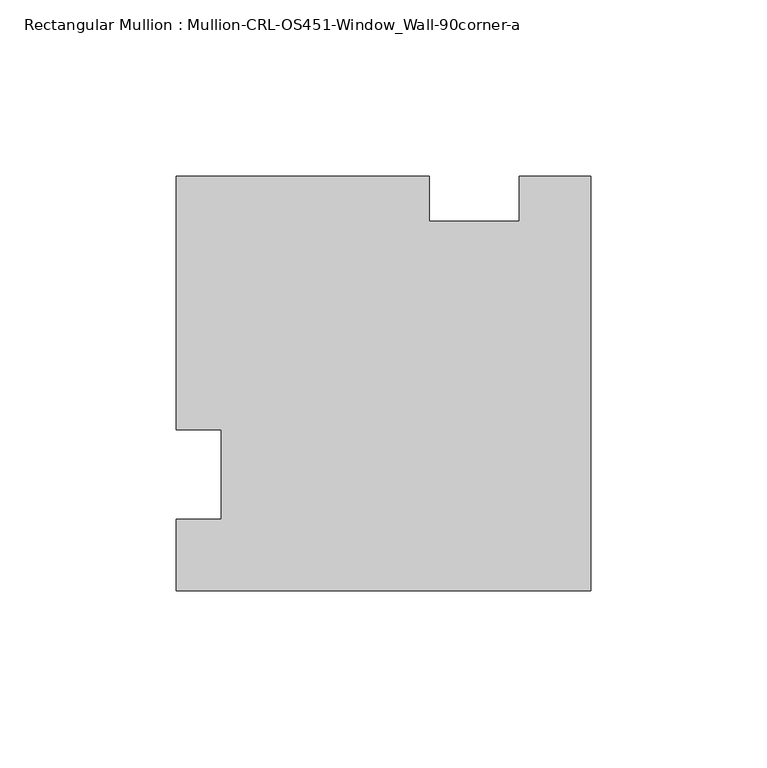
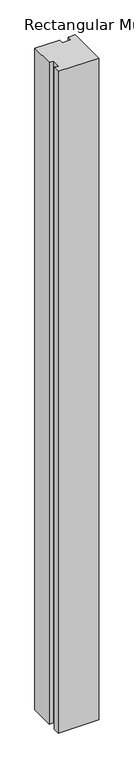
"""IFC4 building model written with IfcOpenShell, lengths in millimetres: member geometry, Rectangular Mullion : Mullion-CRL-OS451-Window_Wall-90corner-a."""

from ifc_helpers import new_model, si_unit, frame, origin, place, context, project, spatial, polyline, outline, extrude, source, transform, mapped, element, save


def rectangular_mullion_mullion_crl_os451_window_wall_90corner_a_53f5e9fe(model_context):
    return source(origin(), model_context, "Body", "SweptSolid", [
        extrude(outline(polyline([(-117.6780898, 12.6999522), (-117.6780898, 84.6587463), (-45.7656636, 84.6587463), (-45.7656636, 71.8666864), (-20.3235031, 71.8666864), (-20.3235031, 84.6587463), (0.0, 84.6587463), (0.0, -33.0327125), (-117.6780898, -33.0327125), (-117.6780898, -12.7090868), (-104.8670101, -12.7090868), (-104.8670101, 12.6999522), (-117.6780898, 12.6999522)])), frame((0.0, 0.0, -2037.0775442), z_axis=(0.0, 0.0, 1.0), x_axis=(1.0, 0.0, 0.0)), (0.0, 0.0, 1.0), 2037.0775442),
    ])


if __name__ == "__main__":
    model = new_model("IFC4")
    model_context = context("Model", 3, world=origin())
    ifc_project = project(units=[si_unit("LENGTHUNIT", "METRE", prefix="MILLI")], contexts=[model_context])
    site = spatial("IfcSite", under=ifc_project)
    building = spatial("IfcBuilding", under=site)
    placement = place(None, origin())
    rectangular_mullion_mullion_crl_os451_window_wall_90corner_a_shape = rectangular_mullion_mullion_crl_os451_window_wall_90corner_a_53f5e9fe(model_context)
    element("IfcMember", 1, ObjectType="Rectangular Mullion : Mullion-CRL-OS451-Window_Wall-90corner-a", at=placement, inside=building, context=model_context, shape_type="MappedRepresentation", body=[
        mapped(rectangular_mullion_mullion_crl_os451_window_wall_90corner_a_shape, transform((0.0, 0.0, 0.0), x_axis=(1.0, 0.0, 0.0), y_axis=(0.0, 1.0, 0.0), z_axis=(0.0, 0.0, 1.0))),
    ])
    save(model, "model.ifc")
